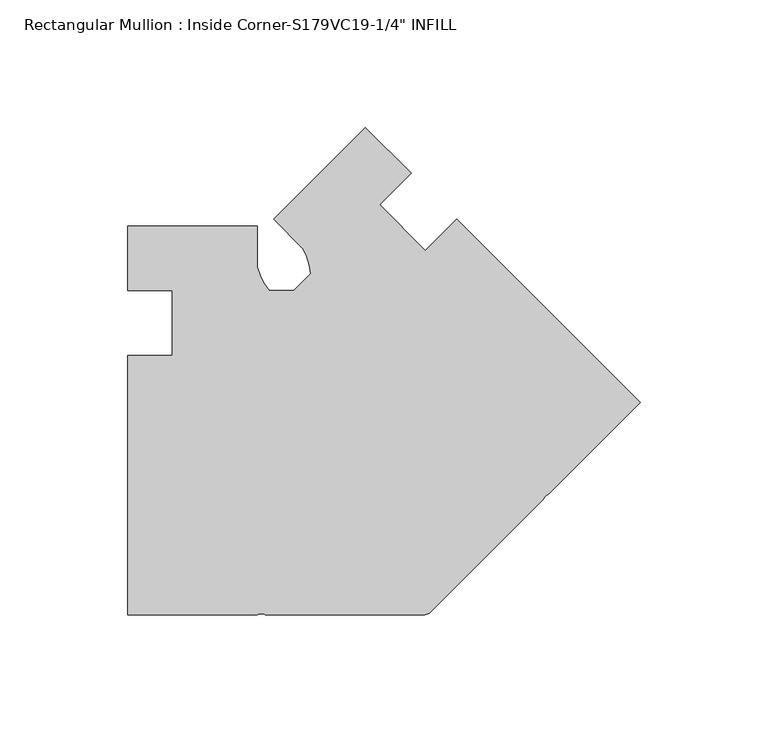
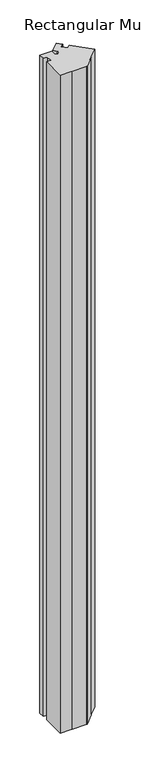
"""IFC4 building model written with IfcOpenShell, lengths in millimetres: member geometry."""

from ifc_helpers import new_model, si_unit, point, frame, frame_2d, origin, place, context, project, spatial, polyline, circle_curve, trimmed, segment, composite_curve, outline, extrude, source, transform, mapped, element, save


def member_01463579(model_context):
    return source(origin(), model_context, "Body", "SweptSolid", [
        extrude(outline(composite_curve([segment(trimmed(circle_curve(frame_2d((-34.5647852, -108.7290674)), 3.8482165), [point((-35.9210245, -105.1277641))], [point((-38.1660885, -107.3728282))], True, "CARTESIAN"), True, "CONTINUOUS"), segment(polyline([(-38.1660885, -107.3728282), (-82.2633244, -151.470064)]), True, "CONTINUOUS"), segment(trimmed(circle_curve(frame_2d((-84.5083884, -149.225)), 3.175), [point((-82.2633244, -151.470064))], [point((-84.5083884, -152.4))], False, "CARTESIAN"), True, "CONTINUOUS"), segment(polyline([(-84.5083884, -152.4), (-146.8712974, -152.4)]), True, "CONTINUOUS"), segment(trimmed(circle_curve(frame_2d((-148.4587974, -155.1496307)), 3.175), [point((-146.8712974, -152.4))], [point((-150.0462974, -152.4))], True, "CARTESIAN"), True, "CONTINUOUS"), segment(polyline([(-150.0462974, -152.4), (-200.8462974, -152.4), (-200.8462974, -50.8), (-183.3964974, -50.8), (-183.3964974, -25.4), (-200.8462974, -25.4), (-200.8462974, 0.0), (-150.0462974, 0.0), (-150.0462974, -16.1798)]), True, "CONTINUOUS"), segment(trimmed(circle_curve(frame_2d((-126.5524895, -9.8846531)), 24.3225797), [point((-150.0462974, -16.1798))], [point((-145.2837974, -25.4))], True, "CARTESIAN"), True, "CONTINUOUS"), segment(polyline([(-145.2837974, -25.4), (-135.7983828, -25.4), (-129.0911817, -18.692799)]), True, "CONTINUOUS"), segment(trimmed(circle_curve(frame_2d((-153.3072236, -20.9668268)), 24.3225797), [point((-129.0911817, -18.692799))], [point((-132.2432516, -8.805537))], True, "CARTESIAN"), True, "CONTINUOUS"), segment(polyline([(-132.2432516, -8.805537), (-143.6840979, 2.6353093), (-107.7630735, 38.5563338), (-89.8025612, 20.5958216), (-102.1414331, 8.2569496), (-84.1809209, -9.7035626), (-71.842049, 2.6353093), (0.0, -69.2067397), (-35.9210245, -105.1277641)]), True, "CONTINUOUS")], self_intersect=False)), frame((0.0, 0.0, -3048.0), z_axis=(0.0, 0.0, 1.0), x_axis=(1.0, 0.0, 0.0)), (0.0, 0.0, 1.0), 3048.0),
    ])


if __name__ == "__main__":
    model = new_model("IFC4")
    model_context = context("Model", 3, world=origin())
    ifc_project = project(units=[si_unit("LENGTHUNIT", "METRE", prefix="MILLI")], contexts=[model_context])
    site = spatial("IfcSite", under=ifc_project)
    building = spatial("IfcBuilding", under=site)
    placement = place(None, origin())
    member_shape = member_01463579(model_context)
    element("IfcMember", 1, ObjectType="Rectangular Mullion : Inside Corner-S179VC19-1/4\" INFILL", at=placement, inside=building, context=model_context, shape_type="MappedRepresentation", body=[
        mapped(member_shape, transform((0.0, 0.0, 0.0), x_axis=(1.0, 0.0, 0.0), y_axis=(0.0, 1.0, 0.0), z_axis=(0.0, 0.0, 1.0))),
    ])
    save(model, "model.ifc")
